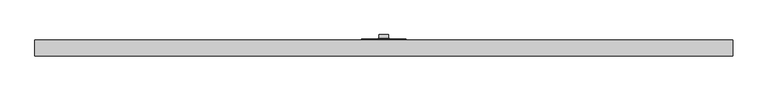
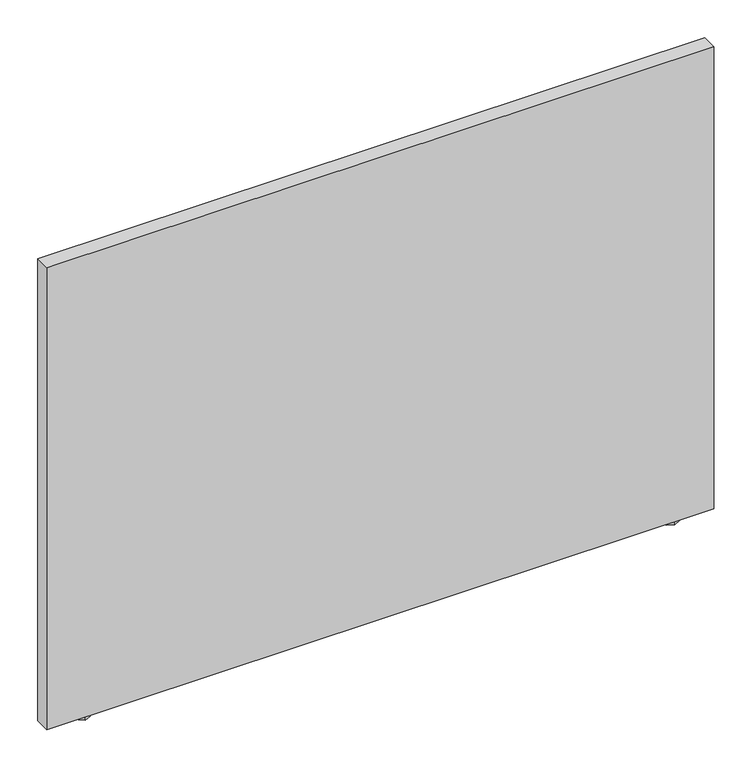
"""IFC4 building model written with IfcOpenShell, lengths in millimetres: furniture geometry."""

from ifc_helpers import new_model, si_unit, frame, origin, origin_with_axes, place, context, project, spatial, polyline, outline, extrude, source, transform, mapped, element, save


def furniture_466d263b(model_context):
    return source(origin(), model_context, "Body", "SweptSolid", [
        extrude(outline(polyline([(1231.9, -12.0014999), (1236.0244439, -14.3827499), (1236.0244439, -19.1452499), (1231.9, -21.5264999), (1227.7755515, -19.1452499), (1227.7755515, -14.3827499), (1231.9, -12.0014999)])), frame((0.0, 0.0, 6.2484002), z_axis=(0.0, 0.0, 1.0), x_axis=(1.0, 0.0, 0.0)), (0.0, 0.0, 1.0), 0.7873997),
        extrude(outline(polyline([(1244.6000015, -24.7014992), (1231.9, -31.0514999), (1219.200003, -24.7014992), (1219.200003, -8.8265001), (1231.9, -2.4764999), (1244.6000015, -8.8265001), (1244.6000015, -24.7014992)])), origin_with_axes(), (0.0, 0.0, 1.0), 6.2484002),
        extrude(outline(polyline([(76.2, -12.0014999), (80.3244485, -14.3827499), (80.3244485, -19.1452499), (76.2, -21.5264999), (72.0755561, -19.1452499), (72.0755561, -14.3827499), (76.2, -12.0014999)])), frame((0.0, 0.0, 6.2484002), z_axis=(0.0, 0.0, 1.0), x_axis=(1.0, 0.0, 0.0)), (0.0, 0.0, 1.0), 0.7873997),
        extrude(outline(polyline([(65.4685012, -24.7014992), (65.4685012, -8.8265001), (76.2, -2.4764999), (88.899997, -8.8265001), (88.899997, -24.7014992), (76.2, -31.0514999), (65.4685012, -24.7014992)])), origin_with_axes(), (0.0, 0.0, 1.0), 6.2484002),
        extrude(outline(polyline([(1308.1, -1.778), (1308.1, -31.8008002), (0.0, -31.8008002), (0.0, -1.778), (1308.1, -1.778)])), frame((0.0, 0.0, 7.0357999), z_axis=(0.0, 0.0, 1.0), x_axis=(1.0, 0.0, 0.0)), (0.0, 0.0, 1.0), 958.1642001),
        extrude(outline(polyline([(662.5081986, 8.5597998), (662.5081986, 1.5748001), (645.5918006, 1.5748001), (645.5918006, 8.5597998), (662.5081986, 8.5597998)])), frame((0.0, 0.0, 83.5406039), z_axis=(0.0, 0.0, 1.0), x_axis=(1.0, 0.0, 0.0)), (0.0, 0.0, 1.0), 33.6803933),
        extrude(outline(polyline([(662.5081986, 8.5597998), (662.5081986, 1.5748001), (645.5918006, 1.5748001), (645.5918006, 8.5597998), (662.5081986, 8.5597998)])), frame((0.0, 0.0, 693.140613), z_axis=(0.0, 0.0, 1.0), x_axis=(1.0, 0.0, 0.0)), (0.0, 0.0, 1.0), 33.6803933),
        extrude(outline(polyline([(662.5081986, 8.5597998), (662.5081986, 1.5748001), (645.5918006, 1.5748001), (645.5918006, 8.5597998), (662.5081986, 8.5597998)])), frame((0.0, 0.0, 896.3405645), z_axis=(0.0, 0.0, 1.0), x_axis=(1.0, 0.0, 0.0)), (0.0, 0.0, 1.0), 33.6804296),
        extrude(outline(polyline([(664.9720017, 1.5748001), (664.9720017, 0.0508002), (643.1279998, 0.0508002), (643.1279998, 1.5748001), (664.9720017, 1.5748001)])), frame((0.0, 0.0, 681.4057915), z_axis=(0.0, 0.0, 1.0), x_axis=(1.0, 0.0, 0.0)), (0.0, 0.0, 1.0), 57.15),
        extrude(outline(polyline([(664.9720017, 1.5748001), (664.9720017, 0.0508002), (643.1279998, 0.0508002), (643.1279998, 1.5748001), (664.9720017, 1.5748001)])), frame((0.0, 0.0, 884.6058157), z_axis=(0.0, 0.0, 1.0), x_axis=(1.0, 0.0, 0.0)), (0.0, 0.0, 1.0), 57.15),
        extrude(outline(polyline([(695.325, 0.0508002), (695.325, -1.778), (612.7750001, -1.778), (612.7750001, 0.0508002), (695.325, 0.0508002)])), frame((0.0, 0.0, 681.4057915), z_axis=(0.0, 0.0, 1.0), x_axis=(1.0, 0.0, 0.0)), (0.0, 0.0, 1.0), 260.3500242),
        extrude(outline(polyline([(662.5081986, 8.5597998), (662.5081986, 1.5748001), (645.5918006, 1.5748001), (645.5918006, 8.5597998), (662.5081986, 8.5597998)])), frame((0.0, 0.0, 286.7406009), z_axis=(0.0, 0.0, 1.0), x_axis=(1.0, 0.0, 0.0)), (0.0, 0.0, 1.0), 33.6803933),
        extrude(outline(polyline([(0.0, -1.5239999), (0.0, 0.0), (21.8440019, 0.0), (21.8440019, -1.5239999), (0.0, -1.5239999)])), frame((664.9720017, 0.0508002, 275.0057975), z_axis=(0.0, 8.56204035697262e-11, 1.0), x_axis=(-1.0, 0.0, 0.0)), (0.0, 0.0, 1.0), 57.1500182),
        extrude(outline(polyline([(695.325, 0.0508002), (695.325, -1.778), (612.7750001, -1.778), (612.7750001, 0.0508002), (695.325, 0.0508002)])), frame((0.0, 0.0, 71.8058006), z_axis=(0.0, 0.0, 1.0), x_axis=(1.0, 0.0, 0.0)), (0.0, 0.0, 1.0), 260.3500151),
        extrude(outline(polyline([(664.9720017, 1.5748001), (664.9720017, 0.0508002), (643.1279998, 0.0508002), (643.1279998, 1.5748001), (664.9720017, 1.5748001)])), frame((0.0, 0.0, 71.8058006), z_axis=(0.0, 0.0, 1.0), x_axis=(1.0, 0.0, 0.0)), (0.0, 0.0, 1.0), 57.15),
    ])


if __name__ == "__main__":
    model = new_model("IFC4")
    model_context = context("Model", 3, world=origin())
    ifc_project = project(units=[si_unit("LENGTHUNIT", "METRE", prefix="MILLI")], contexts=[model_context])
    site = spatial("IfcSite", under=ifc_project)
    building = spatial("IfcBuilding", under=site)
    placement = place(None, origin())
    furniture_shape = furniture_466d263b(model_context)
    element("IfcFurniture", 1, at=placement, inside=building, context=model_context, shape_type="MappedRepresentation", body=[
        mapped(furniture_shape, transform((0.0, 0.0, 0.0), x_axis=(1.0, 0.0, 0.0), y_axis=(0.0, 1.0, 0.0), z_axis=(0.0, 0.0, 1.0))),
    ])
    save(model, "model.ifc")
